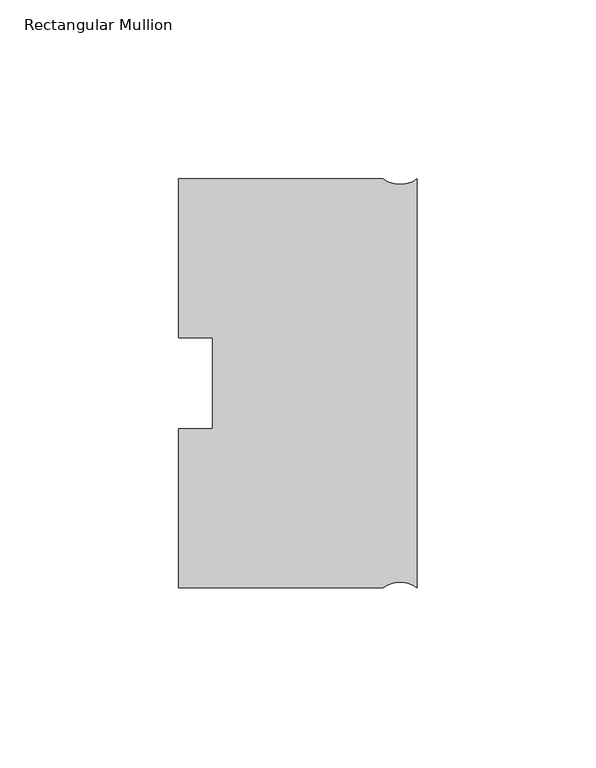
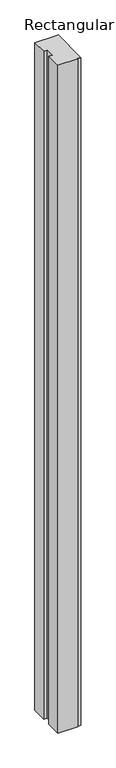
"""IFC4 building model written with IfcOpenShell, lengths in millimetres: member geometry, Rectangular Mullion."""

from ifc_helpers import new_model, si_unit, point, frame, frame_2d, origin, place, context, project, spatial, polyline, circle_curve, trimmed, segment, composite_curve, outline, extrude, source, transform, mapped, element, save


def rectangular_mullion_6b608191(model_context):
    return source(origin(), model_context, "Body", "SweptSolid", [
        extrude(outline(composite_curve([segment(polyline([(-66.675, 57.15), (-9.525, 57.15)]), True, "CONTINUOUS"), segment(trimmed(circle_curve(frame_2d((-4.7625, 63.5)), 7.9375), [point((-9.525, 57.15))], [point((0.0, 57.15))], True, "CARTESIAN"), True, "CONTINUOUS"), segment(polyline([(0.0, 57.15), (0.0, -57.15)]), True, "CONTINUOUS"), segment(trimmed(circle_curve(frame_2d((-4.7625, -63.5)), 7.9375), [point((0.0, -57.15))], [point((-9.525, -57.15))], True, "CARTESIAN"), True, "CONTINUOUS"), segment(polyline([(-9.525, -57.15), (-66.675, -57.15), (-66.675, -12.7), (-57.15, -12.7), (-57.15, 12.7327592), (-66.675, 12.7327592), (-66.675, 57.15)]), True, "CONTINUOUS")], self_intersect=False)), frame((0.0, 0.0, -2032.0), z_axis=(0.0, 0.0, 1.0), x_axis=(1.0, 0.0, 0.0)), (0.0, 0.0, 1.0), 2032.0),
    ])


if __name__ == "__main__":
    model = new_model("IFC4")
    model_context = context("Model", 3, world=origin())
    ifc_project = project(units=[si_unit("LENGTHUNIT", "METRE", prefix="MILLI")], contexts=[model_context])
    site = spatial("IfcSite", under=ifc_project)
    building = spatial("IfcBuilding", under=site)
    placement = place(None, origin())
    rectangular_mullion_shape = rectangular_mullion_6b608191(model_context)
    element("IfcMember", 1, ObjectType="Rectangular Mullion", at=placement, inside=building, context=model_context, shape_type="MappedRepresentation", body=[
        mapped(rectangular_mullion_shape, transform((0.0, 0.0, 0.0), x_axis=(1.0, 0.0, 0.0), y_axis=(0.0, 1.0, 0.0), z_axis=(0.0, 0.0, 1.0))),
    ])
    save(model, "model.ifc")
